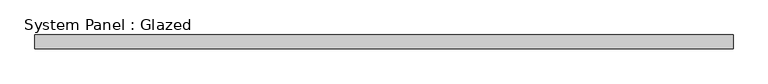
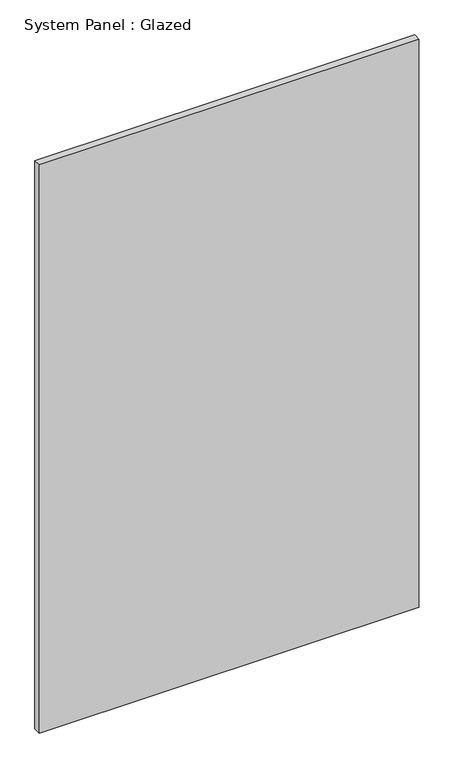
"""IFC4 building model written with IfcOpenShell, lengths in millimetres: plate geometry, System Panel : Glazed."""

from ifc_helpers import new_model, si_unit, origin, origin_with_axes, place, context, project, spatial, polyline, outline, extrude, source, transform, mapped, element, save


def system_panel_glazed_3c00d8e0(model_context):
    return source(origin(), model_context, "Body", "SweptSolid", [
        extrude(outline(polyline([(632.0143609, 24.5), (-632.0143609, 24.5), (-632.0143609, 49.5), (632.0143609, 49.5), (632.0143609, 24.5)])), origin_with_axes(), (0.0, 0.0, 1.0), 2000.0),
    ])


if __name__ == "__main__":
    model = new_model("IFC4")
    model_context = context("Model", 3, world=origin())
    ifc_project = project(units=[si_unit("LENGTHUNIT", "METRE", prefix="MILLI")], contexts=[model_context])
    site = spatial("IfcSite", under=ifc_project)
    building = spatial("IfcBuilding", under=site)
    placement = place(None, origin())
    system_panel_glazed_shape = system_panel_glazed_3c00d8e0(model_context)
    element("IfcPlate", 1, ObjectType="System Panel : Glazed", at=placement, inside=building, context=model_context, shape_type="MappedRepresentation", body=[
        mapped(system_panel_glazed_shape, transform((0.0, 0.0, 0.0), x_axis=(1.0, 0.0, 0.0), y_axis=(0.0, 1.0, 0.0), z_axis=(0.0, 0.0, 1.0))),
    ])
    save(model, "model.ifc")
